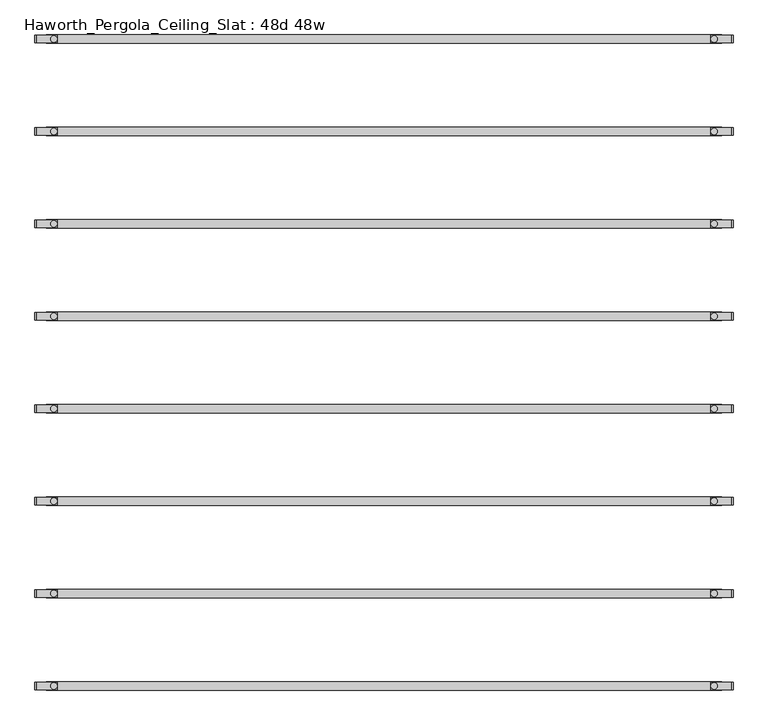
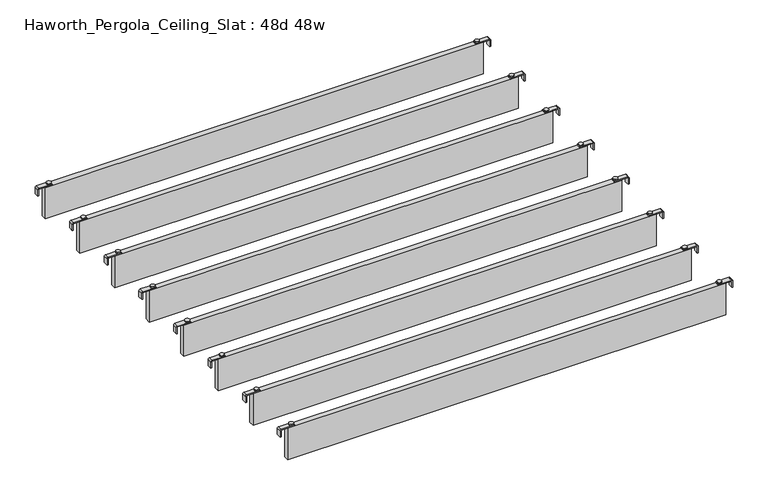
"""IFC4 building model written with IfcOpenShell, lengths in millimetres: furniture geometry, Haworth_Pergola_Ceiling_Slat : 48d 48w."""

from ifc_helpers import new_model, si_unit, point, frame, frame_2d, origin, place, context, project, spatial, polyline, circle_curve, trimmed, segment, composite_curve, outline, extrude, source, transform, mapped, element, save


def haworth_pergola_ceiling_slat_48d_48w_962b1cc8(model_context):
    return source(origin(), model_context, "Body", "SweptSolid", [
        extrude(outline(composite_curve([segment(trimmed(circle_curve(frame_2d((634.0, 921.4212857)), 5.9838099), [point((628.0161901, 921.4212857))], [point((639.9838099, 921.4212857))], False, "CARTESIAN"), True, "CONTINUOUS"), segment(trimmed(circle_curve(frame_2d((634.0, 921.4212857)), 5.9838099), [point((639.9838099, 921.4212857))], [point((628.0161901, 921.4212857))], False, "CARTESIAN"), True, "CONTINUOUS")], self_intersect=False)), frame((0.0, 0.0, 2440.9329992), z_axis=(0.0, 0.0, 1.0), x_axis=(1.0, 0.0, 0.0)), (0.0, 0.0, 1.0), 3.4400008),
        extrude(outline(composite_curve([segment(trimmed(circle_curve(frame_2d((-557.8, 921.4212857)), 5.9838099), [point((-551.8161901, 921.4212857))], [point((-563.7838099, 921.4212857))], False, "CARTESIAN"), True, "CONTINUOUS"), segment(trimmed(circle_curve(frame_2d((-557.8, 921.4212857)), 5.9838099), [point((-563.7838099, 921.4212857))], [point((-551.8161901, 921.4212857))], False, "CARTESIAN"), True, "CONTINUOUS")], self_intersect=False)), frame((0.0, 0.0, 2440.9329992), z_axis=(0.0, 0.0, 1.0), x_axis=(1.0, 0.0, 0.0)), (0.0, 0.0, 1.0), 3.4400008),
        extrude(outline(composite_curve([segment(polyline([(2419.2231711, 668.16), (2437.2499992, 668.16)]), True, "CONTINUOUS"), segment(trimmed(circle_curve(frame_2d((2437.2499992, 664.477)), 3.683), [point((2437.2499992, 668.16))], [point((2440.9329992, 664.477))], False, "CARTESIAN"), True, "CONTINUOUS"), segment(polyline([(2440.9329992, 664.477), (2440.9329992, 627.5), (2438.2729997, 627.5), (2438.2729997, 664.4905568)]), True, "CONTINUOUS"), segment(trimmed(circle_curve(frame_2d((2437.2635571, 664.4905568)), 1.0094425), [point((2438.2729997, 664.4905568))], [point((2437.2635571, 665.4999993))], True, "CARTESIAN"), True, "CONTINUOUS"), segment(polyline([(2437.2635571, 665.4999993), (2419.2231711, 665.4999993), (2419.2231711, 668.16)]), True, "CONTINUOUS")], self_intersect=False)), frame((0.0, 914.9142861, 0.0), z_axis=(0.0, 1.0, 0.0), x_axis=(0.0, 0.0, 1.0)), (0.0, 0.0, 1.0), 13.0),
        extrude(outline(composite_curve([segment(polyline([(2419.2231711, -591.96), (2419.2231711, -589.2999993), (2437.2635571, -589.2999993)]), True, "CONTINUOUS"), segment(trimmed(circle_curve(frame_2d((2437.2635571, -588.2905568)), 1.0094425), [point((2437.2635571, -589.2999993))], [point((2438.2729997, -588.2905568))], True, "CARTESIAN"), True, "CONTINUOUS"), segment(polyline([(2438.2729997, -588.2905568), (2438.2729997, -551.3), (2440.9329992, -551.3), (2440.9329992, -588.277)]), True, "CONTINUOUS"), segment(trimmed(circle_curve(frame_2d((2437.2499992, -588.277)), 3.683), [point((2440.9329992, -588.277))], [point((2437.2499992, -591.96))], False, "CARTESIAN"), True, "CONTINUOUS"), segment(polyline([(2437.2499992, -591.96), (2419.2231711, -591.96)]), True, "CONTINUOUS")], self_intersect=False)), frame((0.0, 914.9142861, 0.0), z_axis=(0.0, 1.0, 0.0), x_axis=(0.0, 0.0, 1.0)), (0.0, 0.0, 1.0), 13.0),
        extrude(outline(polyline([(-571.5, 928.9142857), (647.7, 928.9142857), (647.7, 913.9282857), (-571.5, 913.9282857), (-571.5, 928.9142857)])), frame((0.0, 0.0, 2346.198), z_axis=(0.0, 0.0, 1.0), x_axis=(1.0, 0.0, 0.0)), (0.0, 0.0, 1.0), 92.202),
        extrude(outline(composite_curve([segment(trimmed(circle_curve(frame_2d((634.0, 1088.3355714)), 5.9838099), [point((628.0161901, 1088.3355714))], [point((639.9838099, 1088.3355714))], False, "CARTESIAN"), True, "CONTINUOUS"), segment(trimmed(circle_curve(frame_2d((634.0, 1088.3355714)), 5.9838099), [point((639.9838099, 1088.3355714))], [point((628.0161901, 1088.3355714))], False, "CARTESIAN"), True, "CONTINUOUS")], self_intersect=False)), frame((0.0, 0.0, 2440.9329992), z_axis=(0.0, 0.0, 1.0), x_axis=(1.0, 0.0, 0.0)), (0.0, 0.0, 1.0), 3.4400008),
        extrude(outline(composite_curve([segment(trimmed(circle_curve(frame_2d((-557.8, 1088.3355714)), 5.9838099), [point((-551.8161901, 1088.3355714))], [point((-563.7838099, 1088.3355714))], False, "CARTESIAN"), True, "CONTINUOUS"), segment(trimmed(circle_curve(frame_2d((-557.8, 1088.3355714)), 5.9838099), [point((-563.7838099, 1088.3355714))], [point((-551.8161901, 1088.3355714))], False, "CARTESIAN"), True, "CONTINUOUS")], self_intersect=False)), frame((0.0, 0.0, 2440.9329992), z_axis=(0.0, 0.0, 1.0), x_axis=(1.0, 0.0, 0.0)), (0.0, 0.0, 1.0), 3.4400008),
        extrude(outline(composite_curve([segment(polyline([(2419.2231711, 668.16), (2437.2499992, 668.16)]), True, "CONTINUOUS"), segment(trimmed(circle_curve(frame_2d((2437.2499992, 664.477)), 3.683), [point((2437.2499992, 668.16))], [point((2440.9329992, 664.477))], False, "CARTESIAN"), True, "CONTINUOUS"), segment(polyline([(2440.9329992, 664.477), (2440.9329992, 627.5), (2438.2729997, 627.5), (2438.2729997, 664.4905568)]), True, "CONTINUOUS"), segment(trimmed(circle_curve(frame_2d((2437.2635571, 664.4905568)), 1.0094425), [point((2438.2729997, 664.4905568))], [point((2437.2635571, 665.4999993))], True, "CARTESIAN"), True, "CONTINUOUS"), segment(polyline([(2437.2635571, 665.4999993), (2419.2231711, 665.4999993), (2419.2231711, 668.16)]), True, "CONTINUOUS")], self_intersect=False)), frame((0.0, 1081.8285718, 0.0), z_axis=(0.0, 1.0, 0.0), x_axis=(0.0, 0.0, 1.0)), (0.0, 0.0, 1.0), 13.0),
        extrude(outline(composite_curve([segment(polyline([(2419.2231711, -591.96), (2419.2231711, -589.2999993), (2437.2635571, -589.2999993)]), True, "CONTINUOUS"), segment(trimmed(circle_curve(frame_2d((2437.2635571, -588.2905568)), 1.0094425), [point((2437.2635571, -589.2999993))], [point((2438.2729997, -588.2905568))], True, "CARTESIAN"), True, "CONTINUOUS"), segment(polyline([(2438.2729997, -588.2905568), (2438.2729997, -551.3), (2440.9329992, -551.3), (2440.9329992, -588.277)]), True, "CONTINUOUS"), segment(trimmed(circle_curve(frame_2d((2437.2499992, -588.277)), 3.683), [point((2440.9329992, -588.277))], [point((2437.2499992, -591.96))], False, "CARTESIAN"), True, "CONTINUOUS"), segment(polyline([(2437.2499992, -591.96), (2419.2231711, -591.96)]), True, "CONTINUOUS")], self_intersect=False)), frame((0.0, 1081.8285718, 0.0), z_axis=(0.0, 1.0, 0.0), x_axis=(0.0, 0.0, 1.0)), (0.0, 0.0, 1.0), 13.0),
        extrude(outline(polyline([(-571.5, 1095.8285714), (647.7, 1095.8285714), (647.7, 1080.8425714), (-571.5, 1080.8425714), (-571.5, 1095.8285714)])), frame((0.0, 0.0, 2346.198), z_axis=(0.0, 0.0, 1.0), x_axis=(1.0, 0.0, 0.0)), (0.0, 0.0, 1.0), 92.202),
        extrude(outline(composite_curve([segment(trimmed(circle_curve(frame_2d((634.0, 1255.2498571)), 5.9838099), [point((628.0161901, 1255.2498571))], [point((639.9838099, 1255.2498571))], False, "CARTESIAN"), True, "CONTINUOUS"), segment(trimmed(circle_curve(frame_2d((634.0, 1255.2498571)), 5.9838099), [point((639.9838099, 1255.2498571))], [point((628.0161901, 1255.2498571))], False, "CARTESIAN"), True, "CONTINUOUS")], self_intersect=False)), frame((0.0, 0.0, 2440.9329992), z_axis=(0.0, 0.0, 1.0), x_axis=(1.0, 0.0, 0.0)), (0.0, 0.0, 1.0), 3.4400008),
        extrude(outline(composite_curve([segment(trimmed(circle_curve(frame_2d((-557.8, 1255.2498571)), 5.9838099), [point((-551.8161901, 1255.2498571))], [point((-563.7838099, 1255.2498571))], False, "CARTESIAN"), True, "CONTINUOUS"), segment(trimmed(circle_curve(frame_2d((-557.8, 1255.2498571)), 5.9838099), [point((-563.7838099, 1255.2498571))], [point((-551.8161901, 1255.2498571))], False, "CARTESIAN"), True, "CONTINUOUS")], self_intersect=False)), frame((0.0, 0.0, 2440.9329992), z_axis=(0.0, 0.0, 1.0), x_axis=(1.0, 0.0, 0.0)), (0.0, 0.0, 1.0), 3.4400008),
        extrude(outline(composite_curve([segment(polyline([(2419.2231711, 668.16), (2437.2499992, 668.16)]), True, "CONTINUOUS"), segment(trimmed(circle_curve(frame_2d((2437.2499992, 664.477)), 3.683), [point((2437.2499992, 668.16))], [point((2440.9329992, 664.477))], False, "CARTESIAN"), True, "CONTINUOUS"), segment(polyline([(2440.9329992, 664.477), (2440.9329992, 627.5), (2438.2729997, 627.5), (2438.2729997, 664.4905568)]), True, "CONTINUOUS"), segment(trimmed(circle_curve(frame_2d((2437.2635571, 664.4905568)), 1.0094425), [point((2438.2729997, 664.4905568))], [point((2437.2635571, 665.4999993))], True, "CARTESIAN"), True, "CONTINUOUS"), segment(polyline([(2437.2635571, 665.4999993), (2419.2231711, 665.4999993), (2419.2231711, 668.16)]), True, "CONTINUOUS")], self_intersect=False)), frame((0.0, 1248.7428575, 0.0), z_axis=(0.0, 1.0, 0.0), x_axis=(0.0, 0.0, 1.0)), (0.0, 0.0, 1.0), 13.0),
        extrude(outline(composite_curve([segment(polyline([(2419.2231711, -591.96), (2419.2231711, -589.2999993), (2437.2635571, -589.2999993)]), True, "CONTINUOUS"), segment(trimmed(circle_curve(frame_2d((2437.2635571, -588.2905568)), 1.0094425), [point((2437.2635571, -589.2999993))], [point((2438.2729997, -588.2905568))], True, "CARTESIAN"), True, "CONTINUOUS"), segment(polyline([(2438.2729997, -588.2905568), (2438.2729997, -551.3), (2440.9329992, -551.3), (2440.9329992, -588.277)]), True, "CONTINUOUS"), segment(trimmed(circle_curve(frame_2d((2437.2499992, -588.277)), 3.683), [point((2440.9329992, -588.277))], [point((2437.2499992, -591.96))], False, "CARTESIAN"), True, "CONTINUOUS"), segment(polyline([(2437.2499992, -591.96), (2419.2231711, -591.96)]), True, "CONTINUOUS")], self_intersect=False)), frame((0.0, 1248.7428575, 0.0), z_axis=(0.0, 1.0, 0.0), x_axis=(0.0, 0.0, 1.0)), (0.0, 0.0, 1.0), 13.0),
        extrude(outline(polyline([(-571.5, 1262.7428571), (647.7, 1262.7428571), (647.7, 1247.7568571), (-571.5, 1247.7568571), (-571.5, 1262.7428571)])), frame((0.0, 0.0, 2346.198), z_axis=(0.0, 0.0, 1.0), x_axis=(1.0, 0.0, 0.0)), (0.0, 0.0, 1.0), 92.202),
        extrude(outline(composite_curve([segment(trimmed(circle_curve(frame_2d((634.0, 1422.1641429)), 5.9838099), [point((628.0161901, 1422.1641429))], [point((639.9838099, 1422.1641429))], False, "CARTESIAN"), True, "CONTINUOUS"), segment(trimmed(circle_curve(frame_2d((634.0, 1422.1641429)), 5.9838099), [point((639.9838099, 1422.1641429))], [point((628.0161901, 1422.1641429))], False, "CARTESIAN"), True, "CONTINUOUS")], self_intersect=False)), frame((0.0, 0.0, 2440.9329992), z_axis=(0.0, 0.0, 1.0), x_axis=(1.0, 0.0, 0.0)), (0.0, 0.0, 1.0), 3.4400008),
        extrude(outline(composite_curve([segment(trimmed(circle_curve(frame_2d((-557.8, 1422.1641429)), 5.9838099), [point((-551.8161901, 1422.1641429))], [point((-563.7838099, 1422.1641429))], False, "CARTESIAN"), True, "CONTINUOUS"), segment(trimmed(circle_curve(frame_2d((-557.8, 1422.1641429)), 5.9838099), [point((-563.7838099, 1422.1641429))], [point((-551.8161901, 1422.1641429))], False, "CARTESIAN"), True, "CONTINUOUS")], self_intersect=False)), frame((0.0, 0.0, 2440.9329992), z_axis=(0.0, 0.0, 1.0), x_axis=(1.0, 0.0, 0.0)), (0.0, 0.0, 1.0), 3.4400008),
        extrude(outline(composite_curve([segment(polyline([(2419.2231711, 668.16), (2437.2499992, 668.16)]), True, "CONTINUOUS"), segment(trimmed(circle_curve(frame_2d((2437.2499992, 664.477)), 3.683), [point((2437.2499992, 668.16))], [point((2440.9329992, 664.477))], False, "CARTESIAN"), True, "CONTINUOUS"), segment(polyline([(2440.9329992, 664.477), (2440.9329992, 627.5), (2438.2729997, 627.5), (2438.2729997, 664.4905568)]), True, "CONTINUOUS"), segment(trimmed(circle_curve(frame_2d((2437.2635571, 664.4905568)), 1.0094425), [point((2438.2729997, 664.4905568))], [point((2437.2635571, 665.4999993))], True, "CARTESIAN"), True, "CONTINUOUS"), segment(polyline([(2437.2635571, 665.4999993), (2419.2231711, 665.4999993), (2419.2231711, 668.16)]), True, "CONTINUOUS")], self_intersect=False)), frame((0.0, 1415.6571432, 0.0), z_axis=(0.0, 1.0, 0.0), x_axis=(0.0, 0.0, 1.0)), (0.0, 0.0, 1.0), 13.0),
        extrude(outline(composite_curve([segment(polyline([(2419.2231711, -591.96), (2419.2231711, -589.2999993), (2437.2635571, -589.2999993)]), True, "CONTINUOUS"), segment(trimmed(circle_curve(frame_2d((2437.2635571, -588.2905568)), 1.0094425), [point((2437.2635571, -589.2999993))], [point((2438.2729997, -588.2905568))], True, "CARTESIAN"), True, "CONTINUOUS"), segment(polyline([(2438.2729997, -588.2905568), (2438.2729997, -551.3), (2440.9329992, -551.3), (2440.9329992, -588.277)]), True, "CONTINUOUS"), segment(trimmed(circle_curve(frame_2d((2437.2499992, -588.277)), 3.683), [point((2440.9329992, -588.277))], [point((2437.2499992, -591.96))], False, "CARTESIAN"), True, "CONTINUOUS"), segment(polyline([(2437.2499992, -591.96), (2419.2231711, -591.96)]), True, "CONTINUOUS")], self_intersect=False)), frame((0.0, 1415.6571432, 0.0), z_axis=(0.0, 1.0, 0.0), x_axis=(0.0, 0.0, 1.0)), (0.0, 0.0, 1.0), 13.0),
        extrude(outline(polyline([(-571.5, 1429.6571429), (647.7, 1429.6571429), (647.7, 1414.6711429), (-571.5, 1414.6711429), (-571.5, 1429.6571429)])), frame((0.0, 0.0, 2346.198), z_axis=(0.0, 0.0, 1.0), x_axis=(1.0, 0.0, 0.0)), (0.0, 0.0, 1.0), 92.202),
        extrude(outline(composite_curve([segment(trimmed(circle_curve(frame_2d((634.0, 1589.0784286)), 5.9838099), [point((628.0161901, 1589.0784286))], [point((639.9838099, 1589.0784286))], False, "CARTESIAN"), True, "CONTINUOUS"), segment(trimmed(circle_curve(frame_2d((634.0, 1589.0784286)), 5.9838099), [point((639.9838099, 1589.0784286))], [point((628.0161901, 1589.0784286))], False, "CARTESIAN"), True, "CONTINUOUS")], self_intersect=False)), frame((0.0, 0.0, 2440.9329992), z_axis=(0.0, 0.0, 1.0), x_axis=(1.0, 0.0, 0.0)), (0.0, 0.0, 1.0), 3.4400008),
        extrude(outline(composite_curve([segment(trimmed(circle_curve(frame_2d((-557.8, 1589.0784286)), 5.9838099), [point((-551.8161901, 1589.0784286))], [point((-563.7838099, 1589.0784286))], False, "CARTESIAN"), True, "CONTINUOUS"), segment(trimmed(circle_curve(frame_2d((-557.8, 1589.0784286)), 5.9838099), [point((-563.7838099, 1589.0784286))], [point((-551.8161901, 1589.0784286))], False, "CARTESIAN"), True, "CONTINUOUS")], self_intersect=False)), frame((0.0, 0.0, 2440.9329992), z_axis=(0.0, 0.0, 1.0), x_axis=(1.0, 0.0, 0.0)), (0.0, 0.0, 1.0), 3.4400008),
        extrude(outline(composite_curve([segment(polyline([(2419.2231711, 668.16), (2437.2499992, 668.16)]), True, "CONTINUOUS"), segment(trimmed(circle_curve(frame_2d((2437.2499992, 664.477)), 3.683), [point((2437.2499992, 668.16))], [point((2440.9329992, 664.477))], False, "CARTESIAN"), True, "CONTINUOUS"), segment(polyline([(2440.9329992, 664.477), (2440.9329992, 627.5), (2438.2729997, 627.5), (2438.2729997, 664.4905568)]), True, "CONTINUOUS"), segment(trimmed(circle_curve(frame_2d((2437.2635571, 664.4905568)), 1.0094425), [point((2438.2729997, 664.4905568))], [point((2437.2635571, 665.4999993))], True, "CARTESIAN"), True, "CONTINUOUS"), segment(polyline([(2437.2635571, 665.4999993), (2419.2231711, 665.4999993), (2419.2231711, 668.16)]), True, "CONTINUOUS")], self_intersect=False)), frame((0.0, 1582.5714289, 0.0), z_axis=(0.0, 1.0, 0.0), x_axis=(0.0, 0.0, 1.0)), (0.0, 0.0, 1.0), 13.0),
        extrude(outline(composite_curve([segment(polyline([(2419.2231711, -591.96), (2419.2231711, -589.2999993), (2437.2635571, -589.2999993)]), True, "CONTINUOUS"), segment(trimmed(circle_curve(frame_2d((2437.2635571, -588.2905568)), 1.0094425), [point((2437.2635571, -589.2999993))], [point((2438.2729997, -588.2905568))], True, "CARTESIAN"), True, "CONTINUOUS"), segment(polyline([(2438.2729997, -588.2905568), (2438.2729997, -551.3), (2440.9329992, -551.3), (2440.9329992, -588.277)]), True, "CONTINUOUS"), segment(trimmed(circle_curve(frame_2d((2437.2499992, -588.277)), 3.683), [point((2440.9329992, -588.277))], [point((2437.2499992, -591.96))], False, "CARTESIAN"), True, "CONTINUOUS"), segment(polyline([(2437.2499992, -591.96), (2419.2231711, -591.96)]), True, "CONTINUOUS")], self_intersect=False)), frame((0.0, 1582.5714289, 0.0), z_axis=(0.0, 1.0, 0.0), x_axis=(0.0, 0.0, 1.0)), (0.0, 0.0, 1.0), 13.0),
        extrude(outline(polyline([(-571.5, 1596.5714286), (647.7, 1596.5714286), (647.7, 1581.5854286), (-571.5, 1581.5854286), (-571.5, 1596.5714286)])), frame((0.0, 0.0, 2346.198), z_axis=(0.0, 0.0, 1.0), x_axis=(1.0, 0.0, 0.0)), (0.0, 0.0, 1.0), 92.202),
        extrude(outline(composite_curve([segment(trimmed(circle_curve(frame_2d((634.0, 1755.9927143)), 5.9838099), [point((628.0161901, 1755.9927143))], [point((639.9838099, 1755.9927143))], False, "CARTESIAN"), True, "CONTINUOUS"), segment(trimmed(circle_curve(frame_2d((634.0, 1755.9927143)), 5.9838099), [point((639.9838099, 1755.9927143))], [point((628.0161901, 1755.9927143))], False, "CARTESIAN"), True, "CONTINUOUS")], self_intersect=False)), frame((0.0, 0.0, 2440.9329992), z_axis=(0.0, 0.0, 1.0), x_axis=(1.0, 0.0, 0.0)), (0.0, 0.0, 1.0), 3.4400008),
        extrude(outline(composite_curve([segment(trimmed(circle_curve(frame_2d((-557.8, 1755.9927143)), 5.9838099), [point((-551.8161901, 1755.9927143))], [point((-563.7838099, 1755.9927143))], False, "CARTESIAN"), True, "CONTINUOUS"), segment(trimmed(circle_curve(frame_2d((-557.8, 1755.9927143)), 5.9838099), [point((-563.7838099, 1755.9927143))], [point((-551.8161901, 1755.9927143))], False, "CARTESIAN"), True, "CONTINUOUS")], self_intersect=False)), frame((0.0, 0.0, 2440.9329992), z_axis=(0.0, 0.0, 1.0), x_axis=(1.0, 0.0, 0.0)), (0.0, 0.0, 1.0), 3.4400008),
        extrude(outline(composite_curve([segment(polyline([(2419.2231711, 668.16), (2437.2499992, 668.16)]), True, "CONTINUOUS"), segment(trimmed(circle_curve(frame_2d((2437.2499992, 664.477)), 3.683), [point((2437.2499992, 668.16))], [point((2440.9329992, 664.477))], False, "CARTESIAN"), True, "CONTINUOUS"), segment(polyline([(2440.9329992, 664.477), (2440.9329992, 627.5), (2438.2729997, 627.5), (2438.2729997, 664.4905568)]), True, "CONTINUOUS"), segment(trimmed(circle_curve(frame_2d((2437.2635571, 664.4905568)), 1.0094425), [point((2438.2729997, 664.4905568))], [point((2437.2635571, 665.4999993))], True, "CARTESIAN"), True, "CONTINUOUS"), segment(polyline([(2437.2635571, 665.4999993), (2419.2231711, 665.4999993), (2419.2231711, 668.16)]), True, "CONTINUOUS")], self_intersect=False)), frame((0.0, 1749.4857146, 0.0), z_axis=(0.0, 1.0, 0.0), x_axis=(0.0, 0.0, 1.0)), (0.0, 0.0, 1.0), 13.0),
        extrude(outline(composite_curve([segment(polyline([(2419.2231711, -591.96), (2419.2231711, -589.2999993), (2437.2635571, -589.2999993)]), True, "CONTINUOUS"), segment(trimmed(circle_curve(frame_2d((2437.2635571, -588.2905568)), 1.0094425), [point((2437.2635571, -589.2999993))], [point((2438.2729997, -588.2905568))], True, "CARTESIAN"), True, "CONTINUOUS"), segment(polyline([(2438.2729997, -588.2905568), (2438.2729997, -551.3), (2440.9329992, -551.3), (2440.9329992, -588.277)]), True, "CONTINUOUS"), segment(trimmed(circle_curve(frame_2d((2437.2499992, -588.277)), 3.683), [point((2440.9329992, -588.277))], [point((2437.2499992, -591.96))], False, "CARTESIAN"), True, "CONTINUOUS"), segment(polyline([(2437.2499992, -591.96), (2419.2231711, -591.96)]), True, "CONTINUOUS")], self_intersect=False)), frame((0.0, 1749.4857146, 0.0), z_axis=(0.0, 1.0, 0.0), x_axis=(0.0, 0.0, 1.0)), (0.0, 0.0, 1.0), 13.0),
        extrude(outline(polyline([(-571.5, 1763.4857143), (647.7, 1763.4857143), (647.7, 1748.4997143), (-571.5, 1748.4997143), (-571.5, 1763.4857143)])), frame((0.0, 0.0, 2346.198), z_axis=(0.0, 0.0, 1.0), x_axis=(1.0, 0.0, 0.0)), (0.0, 0.0, 1.0), 92.202),
        extrude(outline(composite_curve([segment(trimmed(circle_curve(frame_2d((634.0, 754.507)), 5.9838099), [point((628.0161901, 754.507))], [point((639.9838099, 754.507))], False, "CARTESIAN"), True, "CONTINUOUS"), segment(trimmed(circle_curve(frame_2d((634.0, 754.507)), 5.9838099), [point((639.9838099, 754.507))], [point((628.0161901, 754.507))], False, "CARTESIAN"), True, "CONTINUOUS")], self_intersect=False)), frame((0.0, 0.0, 2440.9329992), z_axis=(0.0, 0.0, 1.0), x_axis=(1.0, 0.0, 0.0)), (0.0, 0.0, 1.0), 3.4400008),
        extrude(outline(composite_curve([segment(trimmed(circle_curve(frame_2d((-557.8, 754.507)), 5.9838099), [point((-551.8161901, 754.507))], [point((-563.7838099, 754.507))], False, "CARTESIAN"), True, "CONTINUOUS"), segment(trimmed(circle_curve(frame_2d((-557.8, 754.507)), 5.9838099), [point((-563.7838099, 754.507))], [point((-551.8161901, 754.507))], False, "CARTESIAN"), True, "CONTINUOUS")], self_intersect=False)), frame((0.0, 0.0, 2440.9329992), z_axis=(0.0, 0.0, 1.0), x_axis=(1.0, 0.0, 0.0)), (0.0, 0.0, 1.0), 3.4400008),
        extrude(outline(composite_curve([segment(polyline([(2419.2231711, 668.16), (2437.2499992, 668.16)]), True, "CONTINUOUS"), segment(trimmed(circle_curve(frame_2d((2437.2499992, 664.477)), 3.683), [point((2437.2499992, 668.16))], [point((2440.9329992, 664.477))], False, "CARTESIAN"), True, "CONTINUOUS"), segment(polyline([(2440.9329992, 664.477), (2440.9329992, 627.5), (2438.2729997, 627.5), (2438.2729997, 664.4905568)]), True, "CONTINUOUS"), segment(trimmed(circle_curve(frame_2d((2437.2635571, 664.4905568)), 1.0094425), [point((2438.2729997, 664.4905568))], [point((2437.2635571, 665.4999993))], True, "CARTESIAN"), True, "CONTINUOUS"), segment(polyline([(2437.2635571, 665.4999993), (2419.2231711, 665.4999993), (2419.2231711, 668.16)]), True, "CONTINUOUS")], self_intersect=False)), frame((0.0, 748.0000003, 0.0), z_axis=(0.0, 1.0, 0.0), x_axis=(0.0, 0.0, 1.0)), (0.0, 0.0, 1.0), 13.0),
        extrude(outline(composite_curve([segment(polyline([(2419.2231711, -591.96), (2419.2231711, -589.2999993), (2437.2635571, -589.2999993)]), True, "CONTINUOUS"), segment(trimmed(circle_curve(frame_2d((2437.2635571, -588.2905568)), 1.0094425), [point((2437.2635571, -589.2999993))], [point((2438.2729997, -588.2905568))], True, "CARTESIAN"), True, "CONTINUOUS"), segment(polyline([(2438.2729997, -588.2905568), (2438.2729997, -551.3), (2440.9329992, -551.3), (2440.9329992, -588.277)]), True, "CONTINUOUS"), segment(trimmed(circle_curve(frame_2d((2437.2499992, -588.277)), 3.683), [point((2440.9329992, -588.277))], [point((2437.2499992, -591.96))], False, "CARTESIAN"), True, "CONTINUOUS"), segment(polyline([(2437.2499992, -591.96), (2419.2231711, -591.96)]), True, "CONTINUOUS")], self_intersect=False)), frame((0.0, 748.0000003, 0.0), z_axis=(0.0, 1.0, 0.0), x_axis=(0.0, 0.0, 1.0)), (0.0, 0.0, 1.0), 13.0),
        extrude(outline(polyline([(-571.5, 762.0), (647.7, 762.0), (647.7, 747.014), (-571.5, 747.014), (-571.5, 762.0)])), frame((0.0, 0.0, 2346.198), z_axis=(0.0, 0.0, 1.0), x_axis=(1.0, 0.0, 0.0)), (0.0, 0.0, 1.0), 92.202),
        extrude(outline(composite_curve([segment(trimmed(circle_curve(frame_2d((634.0, 1922.907)), 5.9838099), [point((628.0161901, 1922.907))], [point((639.9838099, 1922.907))], False, "CARTESIAN"), True, "CONTINUOUS"), segment(trimmed(circle_curve(frame_2d((634.0, 1922.907)), 5.9838099), [point((639.9838099, 1922.907))], [point((628.0161901, 1922.907))], False, "CARTESIAN"), True, "CONTINUOUS")], self_intersect=False)), frame((0.0, 0.0, 2440.9329992), z_axis=(0.0, 0.0, 1.0), x_axis=(1.0, 0.0, 0.0)), (0.0, 0.0, 1.0), 3.4400008),
        extrude(outline(composite_curve([segment(trimmed(circle_curve(frame_2d((-557.8, 1922.907)), 5.9838099), [point((-551.8161901, 1922.907))], [point((-563.7838099, 1922.907))], False, "CARTESIAN"), True, "CONTINUOUS"), segment(trimmed(circle_curve(frame_2d((-557.8, 1922.907)), 5.9838099), [point((-563.7838099, 1922.907))], [point((-551.8161901, 1922.907))], False, "CARTESIAN"), True, "CONTINUOUS")], self_intersect=False)), frame((0.0, 0.0, 2440.9329992), z_axis=(0.0, 0.0, 1.0), x_axis=(1.0, 0.0, 0.0)), (0.0, 0.0, 1.0), 3.4400008),
        extrude(outline(composite_curve([segment(polyline([(2419.2231711, 668.16), (2437.2499992, 668.16)]), True, "CONTINUOUS"), segment(trimmed(circle_curve(frame_2d((2437.2499992, 664.477)), 3.683), [point((2437.2499992, 668.16))], [point((2440.9329992, 664.477))], False, "CARTESIAN"), True, "CONTINUOUS"), segment(polyline([(2440.9329992, 664.477), (2440.9329992, 627.5), (2438.2729997, 627.5), (2438.2729997, 664.4905568)]), True, "CONTINUOUS"), segment(trimmed(circle_curve(frame_2d((2437.2635571, 664.4905568)), 1.0094425), [point((2438.2729997, 664.4905568))], [point((2437.2635571, 665.4999993))], True, "CARTESIAN"), True, "CONTINUOUS"), segment(polyline([(2437.2635571, 665.4999993), (2419.2231711, 665.4999993), (2419.2231711, 668.16)]), True, "CONTINUOUS")], self_intersect=False)), frame((0.0, 1916.4000003, 0.0), z_axis=(0.0, 1.0, 0.0), x_axis=(0.0, 0.0, 1.0)), (0.0, 0.0, 1.0), 13.0),
        extrude(outline(composite_curve([segment(polyline([(2419.2231711, -591.96), (2419.2231711, -589.2999993), (2437.2635571, -589.2999993)]), True, "CONTINUOUS"), segment(trimmed(circle_curve(frame_2d((2437.2635571, -588.2905568)), 1.0094425), [point((2437.2635571, -589.2999993))], [point((2438.2729997, -588.2905568))], True, "CARTESIAN"), True, "CONTINUOUS"), segment(polyline([(2438.2729997, -588.2905568), (2438.2729997, -551.3), (2440.9329992, -551.3), (2440.9329992, -588.277)]), True, "CONTINUOUS"), segment(trimmed(circle_curve(frame_2d((2437.2499992, -588.277)), 3.683), [point((2440.9329992, -588.277))], [point((2437.2499992, -591.96))], False, "CARTESIAN"), True, "CONTINUOUS"), segment(polyline([(2437.2499992, -591.96), (2419.2231711, -591.96)]), True, "CONTINUOUS")], self_intersect=False)), frame((0.0, 1916.4000003, 0.0), z_axis=(0.0, 1.0, 0.0), x_axis=(0.0, 0.0, 1.0)), (0.0, 0.0, 1.0), 13.0),
        extrude(outline(polyline([(-571.5, 1930.4), (647.7, 1930.4), (647.7, 1915.414), (-571.5, 1915.414), (-571.5, 1930.4)])), frame((0.0, 0.0, 2346.198), z_axis=(0.0, 0.0, 1.0), x_axis=(1.0, 0.0, 0.0)), (0.0, 0.0, 1.0), 92.202),
    ])


if __name__ == "__main__":
    model = new_model("IFC4")
    model_context = context("Model", 3, world=origin())
    ifc_project = project(units=[si_unit("LENGTHUNIT", "METRE", prefix="MILLI")], contexts=[model_context])
    site = spatial("IfcSite", under=ifc_project)
    building = spatial("IfcBuilding", under=site)
    placement = place(None, origin())
    haworth_pergola_ceiling_slat_48d_48w_shape = haworth_pergola_ceiling_slat_48d_48w_962b1cc8(model_context)
    element("IfcFurniture", 1, ObjectType="Haworth_Pergola_Ceiling_Slat : 48d 48w", at=placement, inside=building, context=model_context, shape_type="MappedRepresentation", body=[
        mapped(haworth_pergola_ceiling_slat_48d_48w_shape, transform((0.0, 0.0, 0.0), x_axis=(1.0, 0.0, 0.0), y_axis=(0.0, 1.0, 0.0), z_axis=(0.0, 0.0, 1.0))),
    ])
    save(model, "model.ifc")
